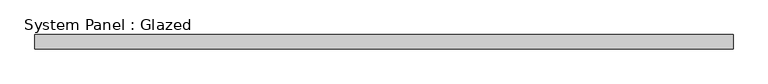
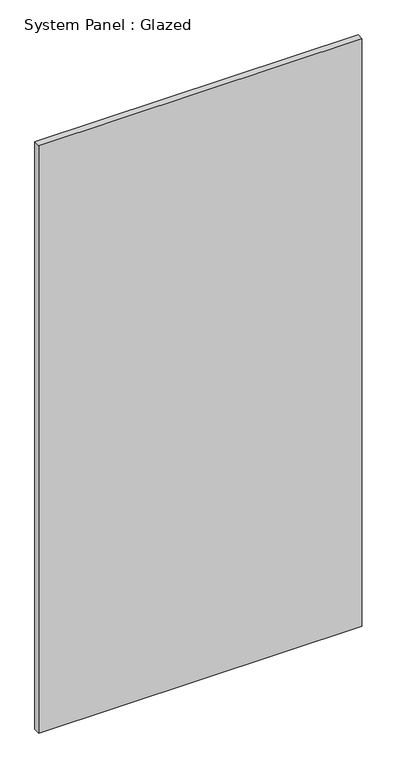
"""IFC4 building model written with IfcOpenShell, lengths in millimetres: plate geometry, System Panel : Glazed."""

import ifcopenshell
import ifcopenshell.guid

model = None  # the IFC model being written
_history = None  # IfcOwnerHistory: only IFC2X3 demands one
_inside = {}  # id of a spatial element -> (the spatial element, [elements in it])
_under = {}  # id of a project, library or spatial element -> (it, [spatial elements below it])
_declared = {}  # id of a project -> (the project, [libraries it declares])
_typed = {}  # id of a type object -> (the type object, [elements of that type])
_made_of = {}  # id of a material, layer set ... -> (it, [elements and type objects made of it])


def new_model(schema):
    """Start an empty IFC model of exactly this schema.

    Asked for "IFC4X3", IfcOpenShell would pick the latest addendum, in which some entities
    have other attributes; the version numbers below select the first issue.
    IFC2X3 requires an IfcOwnerHistory on every rooted entity: one is made here for all.
    """
    global model, _history
    if schema == "IFC4X3":
        model = ifcopenshell.file(schema_version=(4, 3, 0, 0))
    else:
        model = ifcopenshell.file(schema=schema)
    _inside.clear()
    _under.clear()
    _declared.clear()
    _typed.clear()
    _made_of.clear()
    _history = None
    if model.schema == "IFC2X3":
        org = make("IfcOrganization", Name="unknown")
        user = make(
            "IfcPersonAndOrganization",
            ThePerson=make("IfcPerson", FamilyName="unknown"),
            TheOrganization=org,
        )
        app = make(
            "IfcApplication",
            ApplicationDeveloper=org,
            Version="unknown",
            ApplicationFullName="unknown",
            ApplicationIdentifier="unknown",
        )
        _history = make(
            "IfcOwnerHistory",
            OwningUser=user,
            OwningApplication=app,
            ChangeAction="ADDED",
            CreationDate=0,
        )
    return model


def make(cls, **values):
    """One entity of the class cls with the attributes given. An attribute that is None is left unset."""
    return model.create_entity(
        cls, **{name: value for name, value in values.items() if value is not None}
    )


def rooted(cls, **values):
    """An entity with a GlobalId (a new one), such as an element, a storey or a relation."""
    return make(cls, GlobalId=ifcopenshell.guid.new(), OwnerHistory=_history, **values)


def si_unit(unit_type, name, prefix=None):
    """IfcSIUnit, for example si_unit("LENGTHUNIT", "METRE", prefix="MILLI")."""
    return make("IfcSIUnit", UnitType=unit_type, Prefix=prefix, Name=name)


def assignment(units):
    """IfcUnitAssignment: the units of a project."""
    return None if units is None else make("IfcUnitAssignment", Units=units)


def point(xyz):
    """IfcCartesianPoint."""
    return None if xyz is None else make("IfcCartesianPoint", Coordinates=xyz)


def direction(xyz):
    """IfcDirection."""
    return None if xyz is None else make("IfcDirection", DirectionRatios=xyz)


def frame(location, z_axis=None, x_axis=None):
    """IfcAxis2Placement3D, a coordinate frame: its origin and axes. An axis left out is left unset."""
    return make(
        "IfcAxis2Placement3D",
        Location=point(location),
        Axis=direction(z_axis),
        RefDirection=direction(x_axis),
    )


def origin():
    """The frame at (0, 0, 0) with its axes left unset."""
    return frame((0.0, 0.0, 0.0))


def origin_with_axes():
    """The frame at (0, 0, 0) with the z axis (0, 0, 1) and the x axis (1, 0, 0) written out."""
    return frame((0.0, 0.0, 0.0), z_axis=(0.0, 0.0, 1.0), x_axis=(1.0, 0.0, 0.0))


def place(relative_to, where):
    """IfcLocalPlacement: puts the frame where relative to a parent placement (None: the world)."""
    return make(
        "IfcLocalPlacement", PlacementRelTo=relative_to, RelativePlacement=where
    )


def context(
    kind, dimensions, precision=None, world=None, true_north=None, identifier=None
):
    """IfcGeometricRepresentationContext, for example the 3D "Model" context."""
    return make(
        "IfcGeometricRepresentationContext",
        ContextIdentifier=identifier,
        ContextType=kind,
        CoordinateSpaceDimension=dimensions,
        Precision=precision,
        WorldCoordinateSystem=world,
        TrueNorth=true_north,
    )


def project(units=None, contexts=None):
    """IfcProject with its units and contexts."""
    return rooted(
        "IfcProject",
        Name="project",
        RepresentationContexts=contexts,
        UnitsInContext=assignment(units),
    )


def spatial(cls, under=None, at=None, **own):
    """A site, building, storey or space (cls), placed at a placement, below another one or the project."""
    s = rooted(cls, ObjectPlacement=at, **own)
    if under is not None:
        _under.setdefault(under.id(), (under, []))[1].append(s)
    return s


def polyline(points):
    """IfcPolyline through the points."""
    return make("IfcPolyline", Points=[point(p) for p in points])


def outline(outer, holes=None, kind="AREA"):
    """IfcArbitraryClosedProfileDef: a profile drawn as a closed curve; with holes, ...WithVoids."""
    if holes is None:
        return make("IfcArbitraryClosedProfileDef", ProfileType=kind, OuterCurve=outer)
    return make(
        "IfcArbitraryProfileDefWithVoids",
        ProfileType=kind,
        OuterCurve=outer,
        InnerCurves=holes,
    )


def extrude(swept, where, along, depth):
    """IfcExtrudedAreaSolid: the profile swept, set in the frame where, extruded along a direction by depth."""
    return make(
        "IfcExtrudedAreaSolid",
        SweptArea=swept,
        Position=where,
        ExtrudedDirection=direction(along),
        Depth=depth,
    )


def shape(context_of_items, identifier, shape_type, items):
    """IfcShapeRepresentation: the items that make up one representation, for example the "Body"."""
    return make(
        "IfcShapeRepresentation",
        ContextOfItems=context_of_items,
        RepresentationIdentifier=identifier,
        RepresentationType=shape_type,
        Items=items,
    )


def source(mapping_origin, context_of_items, identifier, shape_type, items):
    """IfcRepresentationMap: a shape defined once, which mapped items show again and again."""
    return make(
        "IfcRepresentationMap",
        MappingOrigin=mapping_origin,
        MappedRepresentation=shape(context_of_items, identifier, shape_type, items),
    )


def transform(
    local_origin,
    x_axis=None,
    y_axis=None,
    z_axis=None,
    scale=None,
    scale2=None,
    scale3=None,
    uniform=True,
):
    """IfcCartesianTransformationOperator3D, or its non-uniform kind. x_axis, y_axis, z_axis: its Axis1, 2, 3."""
    if uniform:
        return make(
            "IfcCartesianTransformationOperator3D",
            Axis1=direction(x_axis),
            Axis2=direction(y_axis),
            LocalOrigin=point(local_origin),
            Scale=scale,
            Axis3=direction(z_axis),
        )
    return make(
        "IfcCartesianTransformationOperator3DnonUniform",
        Axis1=direction(x_axis),
        Axis2=direction(y_axis),
        LocalOrigin=point(local_origin),
        Scale=scale,
        Axis3=direction(z_axis),
        Scale2=scale2,
        Scale3=scale3,
    )


def mapped(mapping_source, mapping_target):
    """IfcMappedItem: shows the shape of a source again, moved by a transform."""
    return make(
        "IfcMappedItem", MappingSource=mapping_source, MappingTarget=mapping_target
    )


def made_of(thing, what):
    """Note that an element or type object is made of a material, layer set ...; save() writes the relation."""
    if what is not None:
        _made_of.setdefault(what.id(), (what, []))[1].append(thing)
    return thing


def element(
    cls,
    number,
    at=None,
    inside=None,
    cuts=None,
    type_object=None,
    material=None,
    context=None,
    identifier="Body",
    shape_type=None,
    held_by="IfcProductDefinitionShape",
    body=None,
    shapes=None,
    **own,
):
    """One element of the class cls, such as IfcWall. Its Tag is "e" and its number.

    at: its placement. inside: the storey or other place that contains it. cuts: it is an
    opening in that element (IfcRelVoidsElement). A single representation is given by context,
    identifier, shape_type and body (its items); several are given by shapes. held_by: the class
    of the entity that holds the representations. save() writes the other relations.
    """
    e = rooted(cls, Tag="e%d" % number, ObjectPlacement=at, **own)
    if body is not None:
        shapes = [shape(context, identifier, shape_type, body)]
    if shapes is not None:
        e.Representation = make(held_by, Representations=shapes)
    if inside is not None:
        _inside.setdefault(inside.id(), (inside, []))[1].append(e)
    if cuts is not None:
        rooted(
            "IfcRelVoidsElement", RelatingBuildingElement=cuts, RelatedOpeningElement=e
        )
    if type_object is not None:
        _typed.setdefault(type_object.id(), (type_object, []))[1].append(e)
    return made_of(e, material)


def aggregate(whole, parts):
    """IfcRelAggregates: a whole, such as a stair, and the parts it consists of."""
    return rooted("IfcRelAggregates", RelatingObject=whole, RelatedObjects=parts)


def save(model, path):
    """Write the relations noted so far, then the file.

    IfcRelAggregates (storeys below a building ...), IfcRelContainedInSpatialStructure (elements
    in a storey), IfcRelDefinesByType, IfcRelAssociatesMaterial and IfcRelDeclares: one each for
    every whole, place, type object, material and project.
    """
    for whole, parts in _under.values():
        aggregate(whole, parts)
    for where, things in _inside.values():
        rooted(
            "IfcRelContainedInSpatialStructure",
            RelatedElements=things,
            RelatingStructure=where,
        )
    for kind, things in _typed.values():
        rooted("IfcRelDefinesByType", RelatedObjects=things, RelatingType=kind)
    for what, things in _made_of.values():
        rooted("IfcRelAssociatesMaterial", RelatedObjects=things, RelatingMaterial=what)
    for by, libraries in _declared.values():
        rooted("IfcRelDeclares", RelatingContext=by, RelatedDefinitions=libraries)
    model.write(path)


def system_panel_glazed_65ff4982(model_context):
    return source(origin(), model_context, "Body", "SweptSolid", [
        extrude(outline(polyline([(626.2292596, -12.7), (-626.2292596, -12.7), (-626.2292596, 12.7), (626.2292596, 12.7), (626.2292596, -12.7)])), origin_with_axes(), (0.0, 0.0, 1.0), 2405.8832375),
    ])


if __name__ == "__main__":
    model = new_model("IFC4")
    model_context = context("Model", 3, world=origin())
    ifc_project = project(units=[si_unit("LENGTHUNIT", "METRE", prefix="MILLI")], contexts=[model_context])
    site = spatial("IfcSite", under=ifc_project)
    building = spatial("IfcBuilding", under=site)
    placement = place(None, origin())
    system_panel_glazed_shape = system_panel_glazed_65ff4982(model_context)
    element("IfcPlate", 1, ObjectType="System Panel : Glazed", at=placement, inside=building, context=model_context, shape_type="MappedRepresentation", body=[
        mapped(system_panel_glazed_shape, transform((0.0, 0.0, 0.0), x_axis=(1.0, 0.0, 0.0), y_axis=(0.0, 1.0, 0.0), z_axis=(0.0, 0.0, 1.0))),
    ])
    save(model, "model.ifc")
